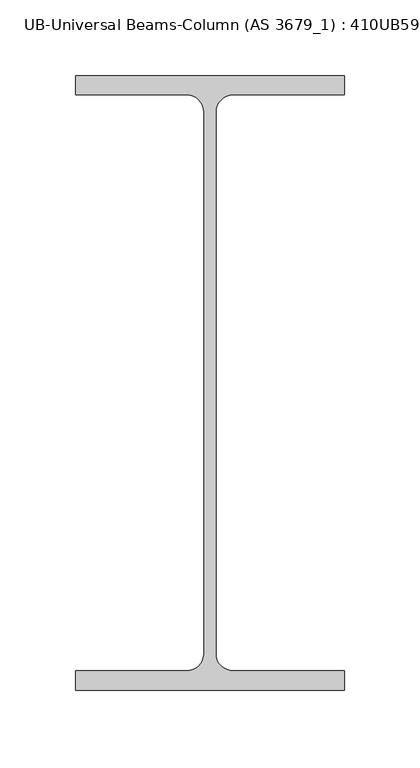
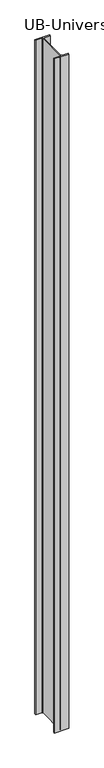
"""IFC4 building model written with IfcOpenShell, lengths in millimetres: column geometry, UB-Universal Beams-Column (AS 3679_1) : 410UB59.7."""

from ifc_helpers import new_model, si_unit, point, frame, frame_2d, origin, place, context, project, spatial, polyline, circle_curve, trimmed, segment, composite_curve, outline, extrude, source, transform, mapped, element, save


def ub_universal_beams_column_as_3679_1_410ub59_7_e49abf65(model_context):
    return source(origin(), model_context, "Body", "SweptSolid", [
        extrude(outline(composite_curve([segment(polyline([(89.0, -203.2), (-89.0, -203.2), (-89.0, -190.4), (-15.3, -190.4)]), True, "CONTINUOUS"), segment(trimmed(circle_curve(frame_2d((-15.3, -179.0)), 11.4), [point((-15.3, -190.4))], [point((-3.9, -179.0))], True, "CARTESIAN"), True, "CONTINUOUS"), segment(polyline([(-3.9, -179.0), (-3.9, 179.0)]), True, "CONTINUOUS"), segment(trimmed(circle_curve(frame_2d((-15.3, 179.0)), 11.4), [point((-3.9, 179.0))], [point((-15.3, 190.4))], True, "CARTESIAN"), True, "CONTINUOUS"), segment(polyline([(-15.3, 190.4), (-89.0, 190.4), (-89.0, 203.2), (89.0, 203.2), (89.0, 190.4), (15.3, 190.4)]), True, "CONTINUOUS"), segment(trimmed(circle_curve(frame_2d((15.3, 179.0)), 11.4), [point((15.3, 190.4))], [point((3.9, 179.0))], True, "CARTESIAN"), True, "CONTINUOUS"), segment(polyline([(3.9, 179.0), (3.9, -179.0)]), True, "CONTINUOUS"), segment(trimmed(circle_curve(frame_2d((15.3, -179.0)), 11.4), [point((3.9, -179.0))], [point((15.3, -190.4))], True, "CARTESIAN"), True, "CONTINUOUS"), segment(polyline([(15.3, -190.4), (89.0, -190.4), (89.0, -203.2)]), True, "CONTINUOUS")], self_intersect=False)), frame((0.0, 0.0, -250.0), z_axis=(0.0, 0.0, 1.0), x_axis=(1.0, 0.0, 0.0)), (0.0, 0.0, 1.0), 8689.0),
    ])


if __name__ == "__main__":
    model = new_model("IFC4")
    model_context = context("Model", 3, world=origin())
    ifc_project = project(units=[si_unit("LENGTHUNIT", "METRE", prefix="MILLI")], contexts=[model_context])
    site = spatial("IfcSite", under=ifc_project)
    building = spatial("IfcBuilding", under=site)
    placement = place(None, origin())
    ub_universal_beams_column_as_3679_1_410ub59_7_shape = ub_universal_beams_column_as_3679_1_410ub59_7_e49abf65(model_context)
    element("IfcColumn", 1, ObjectType="UB-Universal Beams-Column (AS 3679_1) : 410UB59.7", at=placement, inside=building, context=model_context, shape_type="MappedRepresentation", body=[
        mapped(ub_universal_beams_column_as_3679_1_410ub59_7_shape, transform((0.0, 0.0, 0.0), x_axis=(1.0, 0.0, 0.0), y_axis=(0.0, 1.0, 0.0), z_axis=(0.0, 0.0, 1.0))),
    ])
    save(model, "model.ifc")
